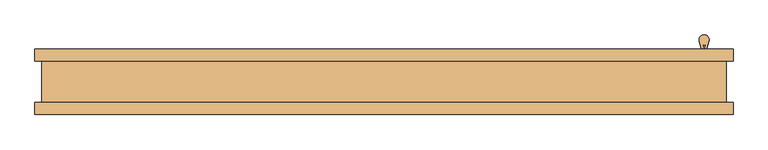
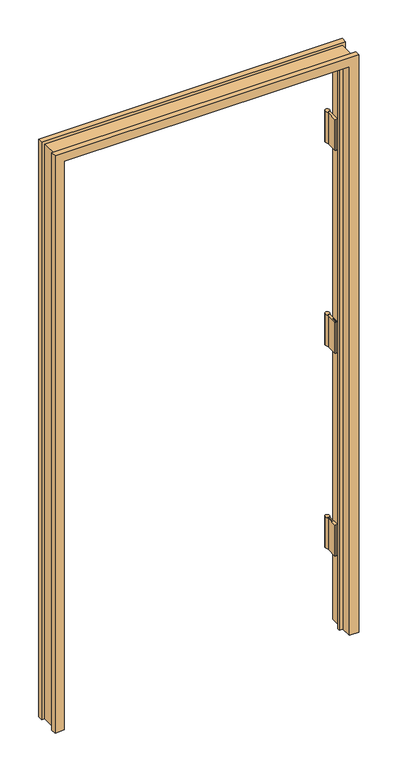
"""IFC4 building model written with IfcOpenShell, lengths in millimetres: door geometry."""

from ifc_helpers import new_model, si_unit, point, frame, frame_2d, origin, place, context, project, spatial, polyline, circle_curve, trimmed, segment, composite_curve, outline, extrude, faceted_brep, source, transform, mapped, element, save


def door_bbbf24b9(model_context):
    return source(origin(), model_context, "Body", "SolidModel", [
        faceted_brep([(-498.6782, 50.0254003, 0.0), (-498.6782, -2.5906997, 0.0), (-485.7242, -2.5906997, 0.0), (-485.7242, -10.8710997, 0.0), (-498.6782, -10.8710997, 0.0), (-498.6782, -50.0254003, 0.0), (-531.3172, -50.0254003, 0.0), (-531.3172, -31.4833003, 0.0), (-520.7, -31.4833003, 0.0), (-520.7, 31.4833003, 0.0), (-531.3172, 31.4833003, 0.0), (-531.3172, 50.0254003, 0.0), (498.6782, 50.0254003, 0.0), (531.3172, 50.0254003, 0.0), (531.3172, 31.4833003, 0.0), (520.7, 31.4833003, 0.0), (520.7, -31.4833003, 0.0), (531.3172, -31.4833003, 0.0), (531.3172, -50.0254003, 0.0), (498.6782, -50.0254003, 0.0), (498.6782, -10.8710997, 0.0), (485.7242, -10.8710997, 0.0), (485.7242, -2.5906997, 0.0), (498.6782, -2.5906997, 0.0), (-498.6782, 50.0254003, 2100.5725997), (-498.6782, -2.5906997, 2100.5725997), (498.6782, -2.5906997, 2100.5725997), (485.7242, -2.5906997, 2087.6185997), (-485.7242, -2.5906997, 2087.6185997), (-485.7242, -10.8710997, 2087.6185997), (485.7242, -10.8710997, 2087.6185997), (498.6782, -10.8710997, 2100.5725997), (-498.6782, -10.8710997, 2100.5725997), (-498.6782, -50.0254003, 2100.5725997), (498.6782, -50.0254003, 2100.5725997), (531.3172, -50.0254003, 2133.2115997), (-531.3172, -50.0254003, 2133.2115997), (-531.3172, -31.4833003, 2133.2115997), (531.3172, -31.4833003, 2133.2115997), (520.7, -31.4833003, 2122.5943997), (-520.7, -31.4833003, 2122.5943997), (-520.7, 31.4833003, 2122.5943997), (520.7, 31.4833003, 2122.5943997), (531.3172, 31.4833003, 2133.2115997), (-531.3172, 31.4833003, 2133.2115997), (-531.3172, 50.0254003, 2133.2115997), (531.3172, 50.0254003, 2133.2115997), (498.6782, 50.0254003, 2100.5725997)], [[[0, 1, 2, 3, 4, 5, 6, 7, 8, 9, 10, 11]], [[12, 13, 14, 15, 16, 17, 18, 19, 20, 21, 22, 23]], [[1, 0, 24, 25]], [[2, 1, 25, 26, 23, 22, 27, 28]], [[3, 2, 28, 29]], [[4, 3, 29, 30, 21, 20, 31, 32]], [[5, 4, 32, 33]], [[6, 5, 33, 34, 19, 18, 35, 36]], [[7, 6, 36, 37]], [[8, 7, 37, 38, 17, 16, 39, 40]], [[9, 8, 40, 41]], [[10, 9, 41, 42, 15, 14, 43, 44]], [[11, 10, 44, 45]], [[0, 11, 45, 46, 13, 12, 47, 24]], [[25, 24, 47, 26]], [[29, 28, 27, 30]], [[33, 32, 31, 34]], [[37, 36, 35, 38]], [[41, 40, 39, 42]], [[45, 44, 43, 46]], [[26, 47, 12, 23]], [[30, 27, 22, 21]], [[34, 31, 20, 19]], [[38, 35, 18, 17]], [[42, 39, 16, 15]], [[46, 43, 14, 13]]]),
        extrude(outline(composite_curve([segment(polyline([(483.0699, 51.4224003), (479.9105892, 61.9052592)]), True, "CONTINUOUS"), segment(trimmed(circle_curve(frame_2d((487.26725, 64.1224003)), 7.6835), [point((479.9105892, 61.9052592))], [point((494.6239108, 61.9052592))], False, "CARTESIAN"), True, "CONTINUOUS"), segment(polyline([(494.6239108, 61.9052592), (491.4646, 51.4224003), (491.4646, 10.1474003), (488.061, 10.1474003), (488.061, 51.9241411), (489.5237659, 56.7777214)]), True, "CONTINUOUS"), segment(trimmed(circle_curve(frame_2d((487.26725, 64.1224003)), 7.6835), [point((489.5237659, 56.7777214))], [point((485.0107341, 56.7777214))], False, "CARTESIAN"), True, "CONTINUOUS"), segment(polyline([(485.0107341, 56.7777214), (486.4735, 51.9241411), (486.4735, 10.1474003), (483.0699, 10.1474003), (483.0699, 51.4224003)]), True, "CONTINUOUS")], self_intersect=False)), frame((0.0, 0.0, 261.90585), z_axis=(0.0, 0.0, 1.0), x_axis=(1.0, 0.0, 0.0)), (0.0, 0.0, 1.0), 114.3),
        extrude(outline(composite_curve([segment(polyline([(483.0699, 51.4224003), (479.9105892, 61.9052592)]), True, "CONTINUOUS"), segment(trimmed(circle_curve(frame_2d((487.26725, 64.1224003)), 7.6835), [point((479.9105892, 61.9052592))], [point((494.6239108, 61.9052592))], False, "CARTESIAN"), True, "CONTINUOUS"), segment(polyline([(494.6239108, 61.9052592), (491.4646, 51.4224003), (491.4646, 10.1474003), (488.061, 10.1474003), (488.061, 51.9241411), (489.5237659, 56.7777214)]), True, "CONTINUOUS"), segment(trimmed(circle_curve(frame_2d((487.26725, 64.1224003)), 7.6835), [point((489.5237659, 56.7777214))], [point((485.0107341, 56.7777214))], False, "CARTESIAN"), True, "CONTINUOUS"), segment(polyline([(485.0107341, 56.7777214), (486.4735, 51.9241411), (486.4735, 10.1474003), (483.0699, 10.1474003), (483.0699, 51.4224003)]), True, "CONTINUOUS")], self_intersect=False)), frame((0.0, 0.0, 1011.2375), z_axis=(0.0, 0.0, 1.0), x_axis=(1.0, 0.0, 0.0)), (0.0, 0.0, 1.0), 114.3),
        extrude(outline(composite_curve([segment(polyline([(483.0699, 51.4224003), (479.9105892, 61.9052592)]), True, "CONTINUOUS"), segment(trimmed(circle_curve(frame_2d((487.26725, 64.1224003)), 7.6835), [point((479.9105892, 61.9052592))], [point((494.6239108, 61.9052592))], False, "CARTESIAN"), True, "CONTINUOUS"), segment(polyline([(494.6239108, 61.9052592), (491.4646, 51.4224003), (491.4646, 10.1474003), (488.061, 10.1474003), (488.061, 51.9241411), (489.5237659, 56.7777214)]), True, "CONTINUOUS"), segment(trimmed(circle_curve(frame_2d((487.26725, 64.1224003)), 7.6835), [point((489.5237659, 56.7777214))], [point((485.0107341, 56.7777214))], False, "CARTESIAN"), True, "CONTINUOUS"), segment(polyline([(485.0107341, 56.7777214), (486.4735, 51.9241411), (486.4735, 10.1474003), (483.0699, 10.1474003), (483.0699, 51.4224003)]), True, "CONTINUOUS")], self_intersect=False)), frame((0.0, 0.0, 1760.5756), z_axis=(0.0, 0.0, 1.0), x_axis=(1.0, 0.0, 0.0)), (0.0, 0.0, 1.0), 114.3),
    ])


if __name__ == "__main__":
    model = new_model("IFC4")
    model_context = context("Model", 3, world=origin())
    ifc_project = project(units=[si_unit("LENGTHUNIT", "METRE", prefix="MILLI")], contexts=[model_context])
    site = spatial("IfcSite", under=ifc_project)
    building = spatial("IfcBuilding", under=site)
    placement = place(None, origin())
    door_shape = door_bbbf24b9(model_context)
    element("IfcDoor", 1, at=placement, inside=building, context=model_context, shape_type="MappedRepresentation", body=[
        mapped(door_shape, transform((0.0, 0.0, 0.0), x_axis=(1.0, 0.0, 0.0), y_axis=(0.0, 1.0, 0.0), z_axis=(0.0, 0.0, 1.0))),
    ])
    save(model, "model.ifc")
